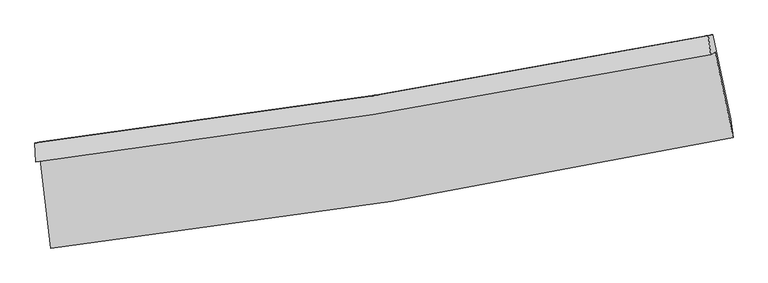
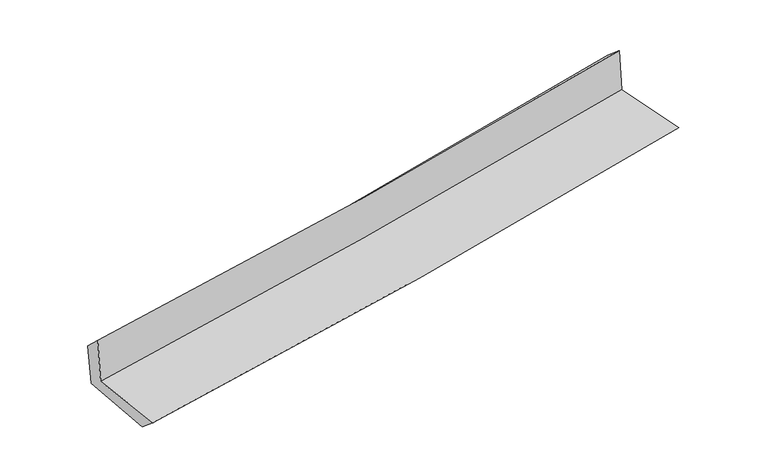
"""IFC4 building model written with IfcOpenShell, lengths in millimetres: proxy geometry."""

from ifc_helpers import new_model, si_unit, frame, origin, place, context, project, spatial, source, transform, mapped, element, save
from ifc_brep_helpers import plane_surface, spline_curve, spline_surface, advanced_brep


def generic_models_944bf756(model_context):
    return source(origin(), model_context, "Body", "AdvancedBrep", [
        advanced_brep(
        [(-2597.0271229, -1886.6770327, 1658.3242697), (-2517.6240048, -2562.594299, 1649.5227879), (2683.8530447, -1718.8844079, 2116.6229162), (2546.7541824, -1068.5777864, 2130.9862875), (-2631.8344449, -1904.3778541, 2069.9949612), (2513.8067552, -1085.3327819, 2520.659763), (-2636.4588605, -1759.2176506, 1933.103521), (2495.1177478, -941.3834069, 2399.1840157), (-2603.9542026, -1752.8259344, 1561.8338813), (2528.4678751, -934.8546797, 2028.0302109), (-2523.753971, -2407.6391897, 1516.721913), (2666.2955974, -1577.3444757, 1988.426418)],
        [
            (0, 1),
            (1, 2, spline_curve(3, [(-2517.6240048, -2562.594299, 1649.5227879), (-1649.105158299, -2463.867353435, 1737.580480007), (-783.238403018, -2344.585120023, 1820.389883431), (950.633207589, -2063.704456097, 1976.180813561), (1818.592135718, -1901.750059081, 2049.071452941), (2683.8530447, -1718.8844079, 2116.6229162)], [4, 2, 4], [0.0, 8.59394010305033, 17.26197364072467])),
            (2, 3),
            (3, 0, spline_curve(3, [(2546.7541824, -1068.5777864, 2130.9862875), (1690.405183813, -1237.925767566, 2058.922439568), (831.73242657, -1390.997759533, 1983.317813975), (-882.900898542, -1663.420446496, 1825.703534367), (-1738.821909751, -1783.048203676, 1743.754154069), (-2597.0271229, -1886.6770327, 1658.3242697)], [4, 2, 4], [0.0, 8.668033537674338, 17.26197364072467])),
            (4, 0),
            (3, 5),
            (5, 4, spline_curve(3, [(2513.8067552, -1085.3327819, 2520.659763), (1657.646836446, -1254.584609095, 2446.359644537), (798.911888469, -1407.688227236, 2371.490554748), (-916.345678811, -1680.428364603, 2221.259268827), (-1772.824464227, -1800.339770678, 2145.906757947), (-2631.8344449, -1904.3778541, 2069.9949612)], [4, 2, 4], [0.0, 8.617738531728962, 17.161813545229457])),
            (6, 4),
            (5, 7),
            (7, 6, spline_curve(3, [(2495.1177478, -941.3834069, 2399.1840157), (1642.154552928, -1110.983384062, 2315.80049138), (786.19323894, -1264.158559665, 2235.113500075), (-924.38333348, -1536.490379392, 2079.799237322), (-1778.947555355, -1655.926618416, 2005.126063966), (-2636.4588605, -1759.2176506, 1933.103521)], [4, 2, 4], [0.0, 8.607346587934098, 17.14111848687704])),
            (8, 6),
            (7, 9),
            (9, 8, spline_curve(3, [(2528.4678751, -934.8546797, 2028.0302109), (1675.046858255, -1104.545846492, 1948.104291812), (818.786553789, -1257.777937146, 1869.128946693), (-892.069137668, -1530.154843586, 1713.746351407), (-1746.616192595, -1649.579838084, 1637.322920167), (-2603.9542026, -1752.8259344, 1561.8338813)], [4, 2, 4], [0.0, 8.597684043978035, 17.121875993369493])),
            (10, 8),
            (9, 11),
            (11, 10, spline_curve(3, [(2666.2955974, -1577.3444757, 1988.426418), (1803.439096266, -1753.89605381, 1907.23438744), (937.637694358, -1911.579416347, 1827.165740417), (-792.428958378, -2188.023132449, 1669.950028356), (-1656.644079476, -2307.104674749, 1592.783840598), (-2523.753971, -2407.6391897, 1516.721913)], [4, 2, 4], [0.0, 8.64732693211133, 17.220737427474685])),
            (1, 10),
            (11, 2),
        ],
        [
            spline_surface(3, 3, [[(-2597.0271229, -1886.6770327, 1658.3242697), (-1738.821909664, -1783.048203544, 1743.754153967), (-882.900898552, -1663.420446568, 1825.703534372), (831.732426581, -1390.99775946, 1983.317813969), (1690.405183905, -1237.925767642, 2058.922439514), (2546.7541824, -1068.5777864, 2130.9862875)], [(-2570.559416874, -2111.982788148, 1655.390442444), (-1708.916325838, -2009.987920157, 1741.696262639), (-849.680066716, -1890.475337706, 1823.932317407), (871.366020308, -1615.233324996, 1980.938813822), (1733.134167868, -1459.200531443, 2055.638777275), (2592.453803168, -1285.346660218, 2126.198497061)], [(-2544.091710826, -2337.288543552, 1652.456615156), (-1679.010741989, -2236.927636727, 1739.638371278), (-816.459234953, -2117.53022888, 1822.161100436), (910.999613961, -1839.468890567, 1978.559813669), (1775.863151828, -1680.475295292, 2052.355115052), (2638.153423932, -1502.115534082, 2121.410706639)], [(-2517.6240048, -2562.594299, 1649.5227879), (-1649.105158164, -2463.86735334, 1737.580479949), (-783.238403116, -2344.585120017, 1820.389883471), (950.633207688, -2063.704456103, 1976.180813521), (1818.592135792, -1901.750059093, 2049.071452813), (2683.8530447, -1718.8844079, 2116.6229162)]], [4, 4], [4, 2, 4], [0.0, 2.249689423882669], [0.0, 8.59394010305033, 17.26197364072467]),
            spline_surface(3, 3, [[(-2631.8344449, -1904.3778541, 2069.9949612), (-1772.824464307, -1800.339770728, 2145.906758015), (-916.345678856, -1680.428364703, 2221.259268765), (798.911888515, -1407.688227135, 2371.490554811), (1657.646836432, -1254.584609049, 2446.359644656), (2513.8067552, -1085.3327819, 2520.659763)], [(-2620.232004247, -1898.4775803, 1932.771397375), (-1761.49027944, -1794.575915, 2011.855890007), (-905.197418782, -1674.759058667, 2089.407357299), (809.852067843, -1402.124737919, 2242.099641195), (1668.566285576, -1249.031661904, 2317.213909608), (2524.78923092, -1079.747783391, 2390.768604499)], [(-2608.629563553, -1892.5773065, 1795.547833525), (-1750.156094532, -1788.812059271, 1877.805021975), (-894.049158626, -1669.089752604, 1957.555445838), (820.792247253, -1396.561248676, 2112.708727585), (1679.485734761, -1243.478714786, 2188.068174563), (2535.77170668, -1074.162784909, 2260.877446001)], [(-2597.0271229, -1886.6770327, 1658.3242697), (-1738.821909664, -1783.048203544, 1743.754153967), (-882.900898552, -1663.420446568, 1825.703534372), (831.732426581, -1390.99775946, 1983.317813969), (1690.405183905, -1237.925767642, 2058.922439514), (2546.7541824, -1068.5777864, 2130.9862875)]], [4, 4], [4, 2, 4], [0.0, 1.2913109049359421], [0.0, 8.544075013500494, 17.161813545229457]),
            spline_surface(3, 3, [[(-2636.4588605, -1759.2176506, 1933.103521), (-1778.947555434, -1655.926618437, 2005.126063871), (-924.383333395, -1536.490379392, 2079.79923741), (786.193238855, -1264.158559665, 2235.113499986), (1642.154552917, -1110.983384137, 2315.800491331), (2495.1177478, -941.3834069, 2399.1840157)], [(-2634.917388635, -1807.604385081, 1978.734001073), (-1776.90652506, -1704.064335848, 2052.052961925), (-921.704115189, -1584.469707833, 2126.952581212), (790.432788768, -1312.001782159, 2280.572518278), (1647.318647421, -1158.850459107, 2359.320209106), (2501.347416932, -989.3665319, 2439.675931467)], [(-2633.375916765, -1855.991119619, 2024.364481127), (-1774.865494682, -1752.202053316, 2098.97985996), (-919.024897062, -1632.449036262, 2174.105924963), (794.672338602, -1359.845004641, 2326.031536518), (1652.482741928, -1206.717534078, 2402.839926881), (2507.577086068, -1037.3496569, 2480.167847233)], [(-2631.8344449, -1904.3778541, 2069.9949612), (-1772.824464307, -1800.339770728, 2145.906758015), (-916.345678856, -1680.428364703, 2221.259268765), (798.911888515, -1407.688227135, 2371.490554811), (1657.646836432, -1254.584609049, 2446.359644656), (2513.8067552, -1085.3327819, 2520.659763)]], [4, 4], [4, 2, 4], [0.0, 0.6566540851081817], [0.0, 8.533771898942943, 17.14111848687704]),
            spline_surface(3, 3, [[(-2603.9542026, -1752.8259344, 1561.8338813), (-1746.616192589, -1649.579838115, 1637.32292011), (-892.069137753, -1530.154843673, 1713.746351465), (818.786553875, -1257.777937058, 1869.128946635), (1675.046858292, -1104.545846602, 1948.104291831), (2528.4678751, -934.8546797, 2028.0302109)], [(-2614.789088565, -1754.956506474, 1685.590427851), (-1757.393313535, -1651.695431563, 1759.923968015), (-902.840536301, -1532.266688922, 1835.763980105), (807.922115534, -1259.90481127, 1991.123797744), (1664.082756511, -1106.691692459, 2070.669691665), (2517.35116601, -937.030922112, 2151.748145834)], [(-2625.623974535, -1757.087078526, 1809.346974449), (-1768.170434487, -1653.811024989, 1882.525015967), (-913.611934847, -1534.378534143, 1957.78160877), (797.057677195, -1262.031685454, 2113.118648877), (1653.118654699, -1108.83753828, 2193.235091496), (2506.23445689, -939.207164488, 2275.466080766)], [(-2636.4588605, -1759.2176506, 1933.103521), (-1778.947555434, -1655.926618437, 2005.126063871), (-924.383333395, -1536.490379392, 2079.79923741), (786.193238855, -1264.158559665, 2235.113499986), (1642.154552917, -1110.983384137, 2315.800491331), (2495.1177478, -941.3834069, 2399.1840157)]], [4, 4], [4, 2, 4], [0.0, 1.2057401779001569], [0.0, 8.524191949391458, 17.121875993369493]),
            spline_surface(3, 3, [[(-2523.753971, -2407.6391897, 1516.721913), (-1656.644079558, -2307.104674747, 1592.783840572), (-792.428958521, -2188.023132544, 1669.950028415), (937.637694502, -1911.579416252, 1827.165740357), (1803.439096268, -1753.896053825, 1907.234387546), (2666.2955974, -1577.3444757, 1988.426418)], [(-2550.487381526, -2189.368104596, 1531.759235765), (-1686.634783894, -2087.929729198, 1607.630200416), (-825.642351623, -1968.733702919, 1684.548802758), (898.020647601, -1693.645589852, 1841.153475776), (1760.641683609, -1537.445984764, 1920.85768898), (2620.353023299, -1363.18121038, 2001.627682306)], [(-2577.220792074, -1971.097019504, 1546.796558535), (-1716.625488252, -1868.754783663, 1622.476560266), (-858.855744651, -1749.444273299, 1699.147577122), (858.403600776, -1475.711763457, 1855.141211216), (1717.844270951, -1320.995915663, 1934.480990397), (2574.410449201, -1149.01794502, 2014.828946594)], [(-2603.9542026, -1752.8259344, 1561.8338813), (-1746.616192589, -1649.579838115, 1637.32292011), (-892.069137753, -1530.154843673, 1713.746351465), (818.786553875, -1257.777937058, 1869.128946635), (1675.046858292, -1104.545846602, 1948.104291831), (2528.4678751, -934.8546797, 2028.0302109)]], [4, 4], [4, 2, 4], [0.0, 2.1858544054980356], [0.0, 8.573410495363355, 17.220737427474685]),
            spline_surface(3, 3, [[(-2517.6240048, -2562.594299, 1649.5227879), (-1649.105158164, -2463.86735334, 1737.580479949), (-783.238403116, -2344.585120017, 1820.389883471), (950.633207688, -2063.704456103, 1976.180813521), (1818.592135792, -1901.750059093, 2049.071452813), (2683.8530447, -1718.8844079, 2116.6229162)], [(-2519.667326853, -2510.942595901, 1605.255829592), (-1651.618131948, -2411.613127144, 1689.314933482), (-786.301921583, -2292.397790851, 1770.243265117), (946.301369961, -2012.996109477, 1926.509122465), (1813.541122621, -1852.46539067, 2001.792431057), (2678.000562271, -1671.704430499, 2073.890750133)], [(-2521.710648947, -2459.290892799, 1560.988871308), (-1654.131105773, -2359.358900943, 1641.049387039), (-789.365440054, -2240.210461711, 1720.096646769), (941.969532229, -1962.287762878, 1876.837431414), (1808.490109439, -1803.180722248, 1954.513409302), (2672.148079829, -1624.524453101, 2031.158584067)], [(-2523.753971, -2407.6391897, 1516.721913), (-1656.644079558, -2307.104674747, 1592.783840572), (-792.428958521, -2188.023132544, 1669.950028415), (937.637694502, -1911.579416252, 1827.165740357), (1803.439096268, -1753.896053825, 1907.234387546), (2666.2955974, -1577.3444757, 1988.426418)]], [4, 4], [4, 2, 4], [0.0, 0.7063778708122259], [0.0, 8.63282848106568, 17.340085676436114]),
            plane_surface(frame((2572.3825338, -1221.0629231, 2197.3182685), z_axis=(0.9748207126299622, 0.2034997999481889, 0.0911724171482807), x_axis=(-0.08948098099089177, -0.017517082108461594, 0.9958344771473385))),
            plane_surface(frame((-2585.1087678, -2045.5553267, 1731.5835557), z_axis=(-0.9893973931592605, -0.1150753286429745, -0.08860286195925932), x_axis=(-0.11666255852792173, 0.9930874196700391, 0.012931524690578991))),
        ],
        [
            (0, [[1, 2, 3, 4]]),
            (1, [[5, -4, 6, 7]]),
            (2, [[8, -7, 9, 10]]),
            (3, [[11, -10, 12, 13]]),
            (4, [[14, -13, 15, 16]]),
            (5, [[17, -16, 18, -2]]),
            (6, [[-12, -9, -6, -3, -18, -15]]),
            (7, [[-1, -5, -8, -11, -14, -17]]),
        ],
    ),
    ])


if __name__ == "__main__":
    model = new_model("IFC4")
    model_context = context("Model", 3, world=origin())
    ifc_project = project(units=[si_unit("LENGTHUNIT", "METRE", prefix="MILLI")], contexts=[model_context])
    site = spatial("IfcSite", under=ifc_project)
    building = spatial("IfcBuilding", under=site)
    placement = place(None, origin())
    generic_models_shape = generic_models_944bf756(model_context)
    element("IfcBuildingElementProxy", 1, Name="Generic Models", at=placement, inside=building, context=model_context, shape_type="MappedRepresentation", body=[
        mapped(generic_models_shape, transform((0.0, 0.0, 0.0), x_axis=(1.0, 0.0, 0.0), y_axis=(0.0, 1.0, 0.0), z_axis=(0.0, 0.0, 1.0))),
    ])
    save(model, "model.ifc")
